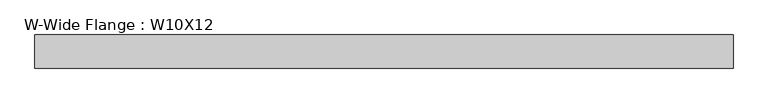
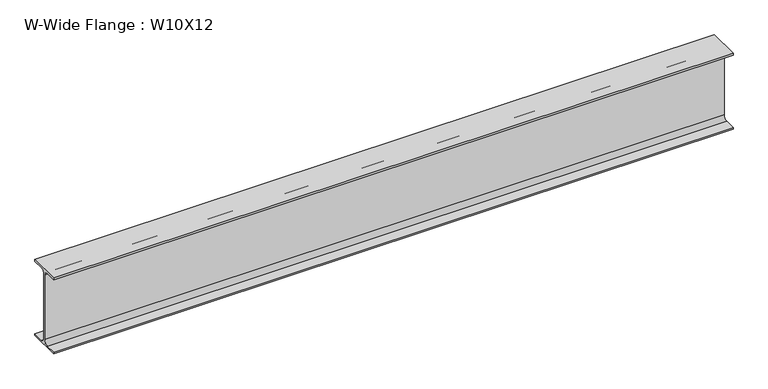
"""IFC4 building model written with IfcOpenShell, lengths in millimetres: beam geometry, W-Wide Flange : W10X12."""

from ifc_helpers import new_model, si_unit, point, frame, frame_2d, origin, place, context, project, spatial, polyline, circle_curve, trimmed, segment, composite_curve, outline, extrude, source, transform, mapped, element, save


def w_wide_flange_w10x12_dab094c6(model_context):
    return source(origin(), model_context, "Body", "SweptSolid", [
        extrude(outline(composite_curve([segment(polyline([(50.3039062, -120.0050781), (50.3039062, -125.3628906), (-50.3039063, -125.3628906), (-50.3039063, -120.0050781), (-16.1230469, -120.0050781)]), True, "CONTINUOUS"), segment(trimmed(circle_curve(frame_2d((-16.1230469, -106.3128906)), 13.6921875), [point((-16.1230469, -120.0050781))], [point((-2.4308594, -106.3128906))], True, "CARTESIAN"), True, "CONTINUOUS"), segment(polyline([(-2.4308594, -106.3128906), (-2.4308594, 106.3128906)]), True, "CONTINUOUS"), segment(trimmed(circle_curve(frame_2d((-16.1230469, 106.3128906)), 13.6921875), [point((-2.4308594, 106.3128906))], [point((-16.1230469, 120.0050781))], True, "CARTESIAN"), True, "CONTINUOUS"), segment(polyline([(-16.1230469, 120.0050781), (-50.3039063, 120.0050781), (-50.3039063, 125.3628906), (50.3039062, 125.3628906), (50.3039062, 120.0050781), (16.1230469, 120.0050781)]), True, "CONTINUOUS"), segment(trimmed(circle_curve(frame_2d((16.1230469, 106.3128906)), 13.6921875), [point((16.1230469, 120.0050781))], [point((2.4308594, 106.3128906))], True, "CARTESIAN"), True, "CONTINUOUS"), segment(polyline([(2.4308594, 106.3128906), (2.4308594, -106.3128906)]), True, "CONTINUOUS"), segment(trimmed(circle_curve(frame_2d((16.1230469, -106.3128906)), 13.6921875), [point((2.4308594, -106.3128906))], [point((16.1230469, -120.0050781))], True, "CARTESIAN"), True, "CONTINUOUS"), segment(polyline([(16.1230469, -120.0050781), (50.3039062, -120.0050781)]), True, "CONTINUOUS")], self_intersect=False)), frame((-1060.45, 0.0, 0.0), z_axis=(1.0, 0.0, 0.0), x_axis=(0.0, 1.0, 0.0)), (0.0, 0.0, 1.0), 2120.9),
    ])


if __name__ == "__main__":
    model = new_model("IFC4")
    model_context = context("Model", 3, world=origin())
    ifc_project = project(units=[si_unit("LENGTHUNIT", "METRE", prefix="MILLI")], contexts=[model_context])
    site = spatial("IfcSite", under=ifc_project)
    building = spatial("IfcBuilding", under=site)
    placement = place(None, origin())
    w_wide_flange_w10x12_shape = w_wide_flange_w10x12_dab094c6(model_context)
    element("IfcBeam", 1, ObjectType="W-Wide Flange : W10X12", at=placement, inside=building, context=model_context, shape_type="MappedRepresentation", body=[
        mapped(w_wide_flange_w10x12_shape, transform((0.0, 0.0, 0.0), x_axis=(1.0, 0.0, 0.0), y_axis=(0.0, 1.0, 0.0), z_axis=(0.0, 0.0, 1.0))),
    ])
    save(model, "model.ifc")
